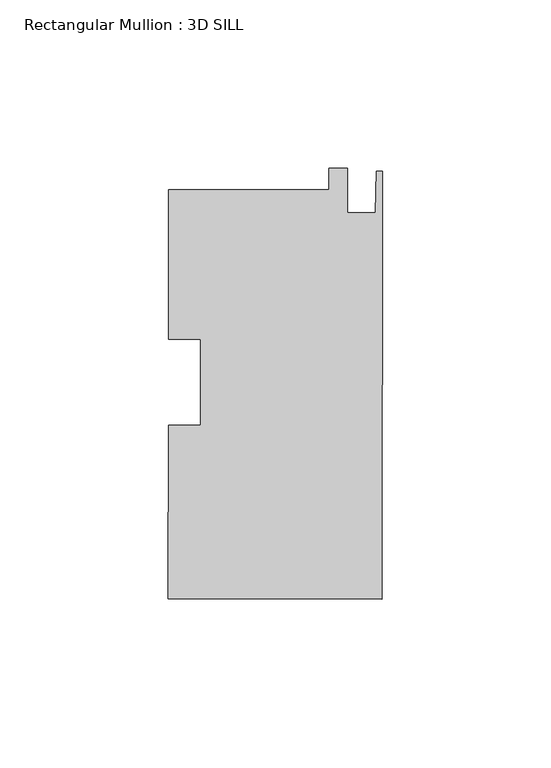
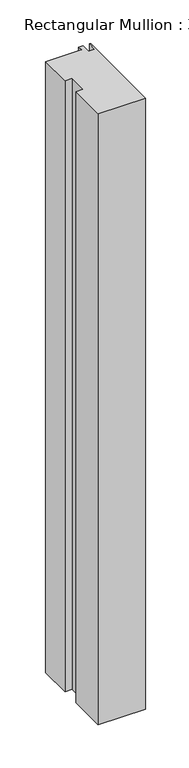
"""IFC4 building model written with IfcOpenShell, lengths in millimetres: member geometry, Rectangular Mullion : 3D SILL."""

from ifc_helpers import new_model, si_unit, frame, origin, place, context, project, spatial, polyline, outline, extrude, source, transform, mapped, element, save


def rectangular_mullion_3d_sill_819d4a28(model_context):
    return source(origin(), model_context, "Body", "SweptSolid", [
        extrude(outline(polyline([(-15.8785297, 57.0944487), (-15.8744967, 63.4444474), (-10.3118978, 63.4409144), (-10.3202382, 50.3091171), (-2.0398398, 50.303858), (-1.7779996, 62.6480942), (0.0, 62.6469649), (-0.0806567, -64.3465324), (-63.5806439, -64.306202), (-63.5479185, -12.7802285), (-54.0229204, -12.7862781), (-54.0067326, 12.7014151), (-63.5317306, 12.7074647), (-63.5035201, 57.1246965), (-15.8785297, 57.0944487)])), frame((0.0, 0.0, -863.6), z_axis=(0.0, 0.0, 1.0), x_axis=(1.0, 0.0, 0.0)), (0.0, 0.0, 1.0), 863.6),
    ])


if __name__ == "__main__":
    model = new_model("IFC4")
    model_context = context("Model", 3, world=origin())
    ifc_project = project(units=[si_unit("LENGTHUNIT", "METRE", prefix="MILLI")], contexts=[model_context])
    site = spatial("IfcSite", under=ifc_project)
    building = spatial("IfcBuilding", under=site)
    placement = place(None, origin())
    rectangular_mullion_3d_sill_shape = rectangular_mullion_3d_sill_819d4a28(model_context)
    element("IfcMember", 1, ObjectType="Rectangular Mullion : 3D SILL", at=placement, inside=building, context=model_context, shape_type="MappedRepresentation", body=[
        mapped(rectangular_mullion_3d_sill_shape, transform((0.0, 0.0, 0.0), x_axis=(1.0, 0.0, 0.0), y_axis=(0.0, 1.0, 0.0), z_axis=(0.0, 0.0, 1.0))),
    ])
    save(model, "model.ifc")
